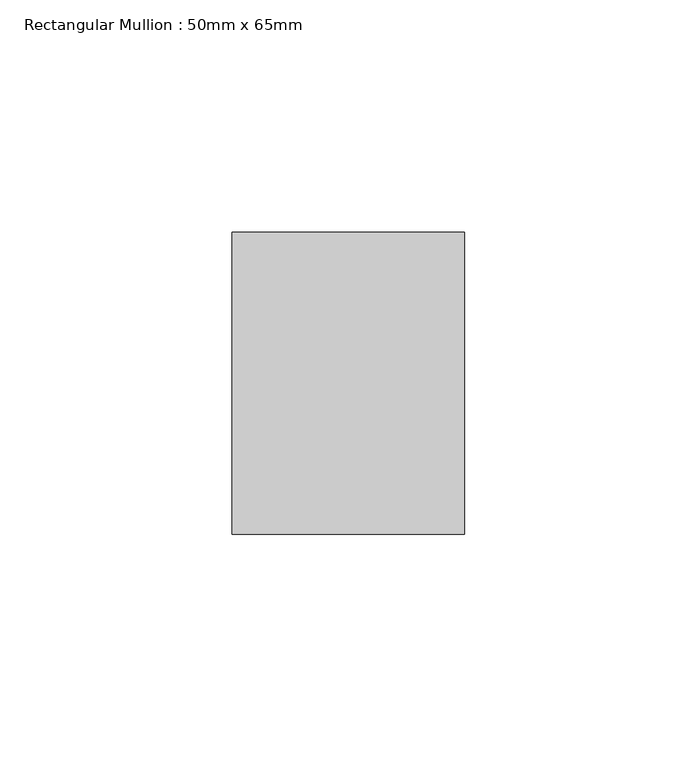
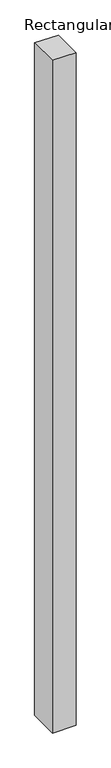
"""IFC4 building model written with IfcOpenShell, lengths in millimetres: member geometry, Rectangular Mullion : 50mm x 65mm."""

from ifc_helpers import new_model, si_unit, origin, place, context, project, spatial, faceted_brep, source, transform, mapped, element, save


def rectangular_mullion_50mm_x_65mm_64bf86b3(model_context):
    return source(origin(), model_context, "Body", "Brep", [
        faceted_brep([(-25.0, 32.5, -0.2664481), (25.0, 32.5, -0.2664486), (25.0, 32.5, -1499.6460569), (-25.0, 32.5, -1499.6460576), (-25.0, -32.5, 0.2664486), (-25.0, -32.5, -1500.3533994), (25.0, -32.5, 0.2664481), (25.0, -32.5, -1500.3533988)], [[[0, 1, 2, 3]], [[4, 0, 3, 5]], [[6, 4, 5, 7]], [[1, 6, 7, 2]], [[1, 0, 4, 6]], [[2, 7, 5, 3]]]),
    ])


if __name__ == "__main__":
    model = new_model("IFC4")
    model_context = context("Model", 3, world=origin())
    ifc_project = project(units=[si_unit("LENGTHUNIT", "METRE", prefix="MILLI")], contexts=[model_context])
    site = spatial("IfcSite", under=ifc_project)
    building = spatial("IfcBuilding", under=site)
    placement = place(None, origin())
    rectangular_mullion_50mm_x_65mm_shape = rectangular_mullion_50mm_x_65mm_64bf86b3(model_context)
    element("IfcMember", 1, ObjectType="Rectangular Mullion : 50mm x 65mm", at=placement, inside=building, context=model_context, shape_type="MappedRepresentation", body=[
        mapped(rectangular_mullion_50mm_x_65mm_shape, transform((0.0, 0.0, 0.0), x_axis=(1.0, 0.0, 0.0), y_axis=(0.0, 1.0, 0.0), z_axis=(0.0, 0.0, 1.0))),
    ])
    save(model, "model.ifc")
